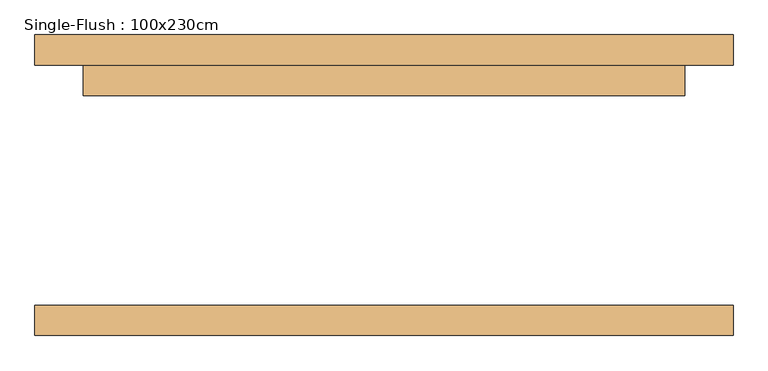
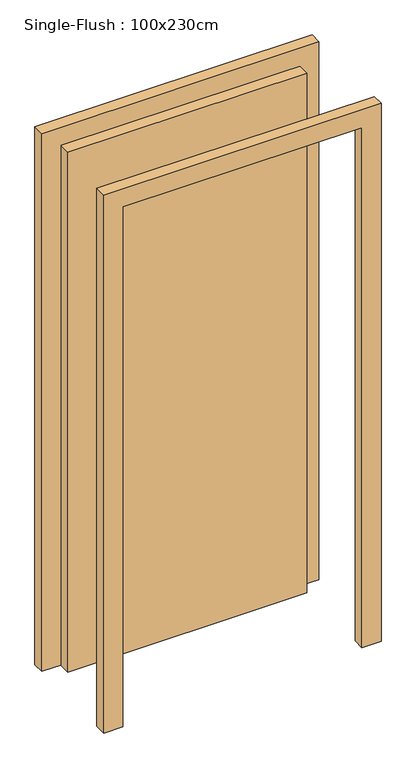
"""IFC4 building model written with IfcOpenShell, lengths in millimetres: door geometry, Single-Flush : 100x230cm."""

from ifc_helpers import new_model, si_unit, frame, origin, origin_with_axes, place, context, project, spatial, polyline, outline, extrude, source, transform, mapped, element, save


def single_flush_100x230cm_a4c385ce(model_context):
    return source(origin(), model_context, "Body", "SweptSolid", [
        extrude(outline(polyline([(2380.0, -580.0), (0.0, -580.0), (0.0, -500.0), (2300.0, -500.0), (2300.0, 500.0), (0.0, 500.0), (0.0, 580.0), (2380.0, 580.0), (2380.0, -580.0)])), frame((0.0, 200.0, 0.0), z_axis=(0.0, 1.0, 0.0), x_axis=(0.0, 0.0, 1.0)), (0.0, 0.0, 1.0), 50.0),
        extrude(outline(polyline([(2380.0, 580.0), (2380.0, -580.0), (0.0, -580.0), (0.0, -500.0), (2300.0, -500.0), (2300.0, 500.0), (0.0, 500.0), (0.0, 580.0), (2380.0, 580.0)])), frame((0.0, -250.0, 0.0), z_axis=(0.0, 1.0, 0.0), x_axis=(0.0, 0.0, 1.0)), (0.0, 0.0, 1.0), 50.0),
        extrude(outline(polyline([(500.0, 149.2), (-500.0, 149.2), (-500.0, 200.0), (500.0, 200.0), (500.0, 149.2)])), origin_with_axes(), (0.0, 0.0, 1.0), 2300.0),
    ])


if __name__ == "__main__":
    model = new_model("IFC4")
    model_context = context("Model", 3, world=origin())
    ifc_project = project(units=[si_unit("LENGTHUNIT", "METRE", prefix="MILLI")], contexts=[model_context])
    site = spatial("IfcSite", under=ifc_project)
    building = spatial("IfcBuilding", under=site)
    placement = place(None, origin())
    single_flush_100x230cm_shape = single_flush_100x230cm_a4c385ce(model_context)
    element("IfcDoor", 1, ObjectType="Single-Flush : 100x230cm", at=placement, inside=building, context=model_context, shape_type="MappedRepresentation", body=[
        mapped(single_flush_100x230cm_shape, transform((0.0, 0.0, 0.0), x_axis=(1.0, 0.0, 0.0), y_axis=(0.0, 1.0, 0.0), z_axis=(0.0, 0.0, 1.0))),
    ])
    save(model, "model.ifc")
